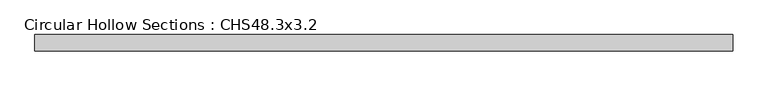
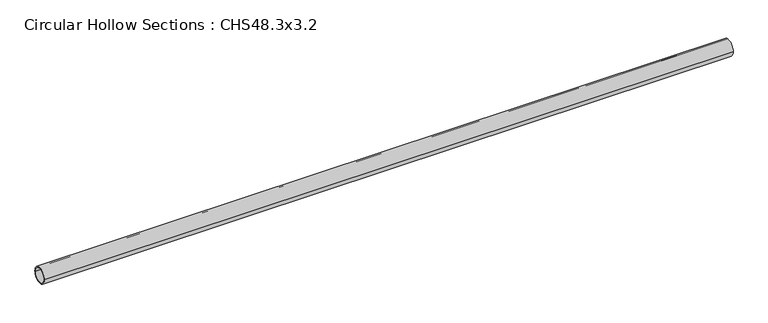
"""IFC4 building model written with IfcOpenShell, lengths in millimetres: member geometry, Circular Hollow Sections : CHS48.3x3.2."""

from ifc_helpers import new_model, si_unit, point, frame, origin, origin_2d, place, context, project, spatial, circle_curve, trimmed, segment, composite_curve, outline, extrude, source, transform, mapped, element, save


def circular_hollow_sections_chs48_3x3_2_7a3eee48(model_context):
    return source(origin(), model_context, "Body", "SweptSolid", [
        extrude(outline(composite_curve([segment(trimmed(circle_curve(origin_2d(), 24.15), [point((-24.15, 0.0))], [point((24.15, 0.0))], False, "CARTESIAN"), True, "CONTINUOUS"), segment(trimmed(circle_curve(origin_2d(), 24.15), [point((24.15, 0.0))], [point((-24.15, 0.0))], False, "CARTESIAN"), True, "CONTINUOUS")], self_intersect=False), holes=[composite_curve([segment(trimmed(circle_curve(origin_2d(), 20.95), [point((20.95, 0.0))], [point((-20.95, 0.0))], True, "CARTESIAN"), True, "CONTINUOUS"), segment(trimmed(circle_curve(origin_2d(), 20.95), [point((-20.95, 0.0))], [point((20.95, 0.0))], True, "CARTESIAN"), True, "CONTINUOUS")], self_intersect=False)]), frame((-1012.85, 0.0, 0.0), z_axis=(1.0, 0.0, 0.0), x_axis=(0.0, 1.0, 0.0)), (0.0, 0.0, 1.0), 2053.4),
    ])


if __name__ == "__main__":
    model = new_model("IFC4")
    model_context = context("Model", 3, world=origin())
    ifc_project = project(units=[si_unit("LENGTHUNIT", "METRE", prefix="MILLI")], contexts=[model_context])
    site = spatial("IfcSite", under=ifc_project)
    building = spatial("IfcBuilding", under=site)
    placement = place(None, origin())
    circular_hollow_sections_chs48_3x3_2_shape = circular_hollow_sections_chs48_3x3_2_7a3eee48(model_context)
    element("IfcMember", 1, ObjectType="Circular Hollow Sections : CHS48.3x3.2", at=placement, inside=building, context=model_context, shape_type="MappedRepresentation", body=[
        mapped(circular_hollow_sections_chs48_3x3_2_shape, transform((0.0, 0.0, 0.0), x_axis=(1.0, 0.0, 0.0), y_axis=(0.0, 1.0, 0.0), z_axis=(0.0, 0.0, 1.0))),
    ])
    save(model, "model.ifc")
